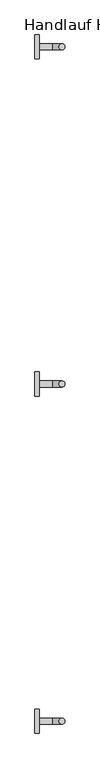
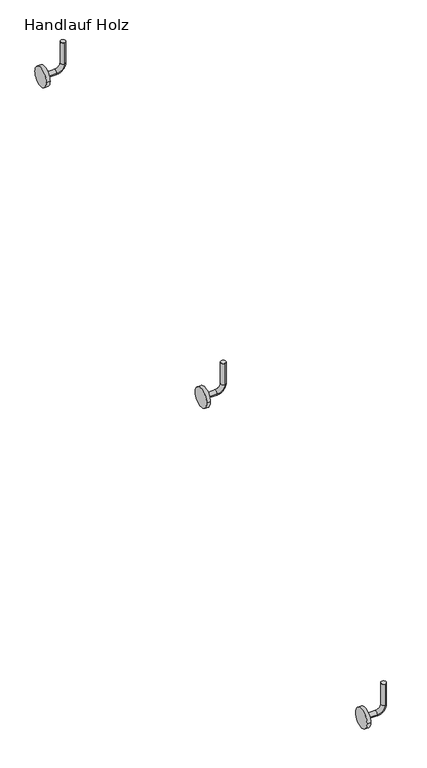
"""IFC4 building model written with IfcOpenShell, lengths in millimetres: railing geometry, Handlauf Holz."""

import ifcopenshell
import ifcopenshell.guid

model = None  # the IFC model being written
_history = None  # IfcOwnerHistory: only IFC2X3 demands one
_inside = {}  # id of a spatial element -> (the spatial element, [elements in it])
_under = {}  # id of a project, library or spatial element -> (it, [spatial elements below it])
_declared = {}  # id of a project -> (the project, [libraries it declares])
_typed = {}  # id of a type object -> (the type object, [elements of that type])
_made_of = {}  # id of a material, layer set ... -> (it, [elements and type objects made of it])


def new_model(schema):
    """Start an empty IFC model of exactly this schema.

    Asked for "IFC4X3", IfcOpenShell would pick the latest addendum, in which some entities
    have other attributes; the version numbers below select the first issue.
    IFC2X3 requires an IfcOwnerHistory on every rooted entity: one is made here for all.
    """
    global model, _history
    if schema == "IFC4X3":
        model = ifcopenshell.file(schema_version=(4, 3, 0, 0))
    else:
        model = ifcopenshell.file(schema=schema)
    _inside.clear()
    _under.clear()
    _declared.clear()
    _typed.clear()
    _made_of.clear()
    _history = None
    if model.schema == "IFC2X3":
        org = make("IfcOrganization", Name="unknown")
        user = make(
            "IfcPersonAndOrganization",
            ThePerson=make("IfcPerson", FamilyName="unknown"),
            TheOrganization=org,
        )
        app = make(
            "IfcApplication",
            ApplicationDeveloper=org,
            Version="unknown",
            ApplicationFullName="unknown",
            ApplicationIdentifier="unknown",
        )
        _history = make(
            "IfcOwnerHistory",
            OwningUser=user,
            OwningApplication=app,
            ChangeAction="ADDED",
            CreationDate=0,
        )
    return model


def make(cls, **values):
    """One entity of the class cls with the attributes given. An attribute that is None is left unset."""
    return model.create_entity(
        cls, **{name: value for name, value in values.items() if value is not None}
    )


def rooted(cls, **values):
    """An entity with a GlobalId (a new one), such as an element, a storey or a relation."""
    return make(cls, GlobalId=ifcopenshell.guid.new(), OwnerHistory=_history, **values)


def si_unit(unit_type, name, prefix=None):
    """IfcSIUnit, for example si_unit("LENGTHUNIT", "METRE", prefix="MILLI")."""
    return make("IfcSIUnit", UnitType=unit_type, Prefix=prefix, Name=name)


def assignment(units):
    """IfcUnitAssignment: the units of a project."""
    return None if units is None else make("IfcUnitAssignment", Units=units)


def point(xyz):
    """IfcCartesianPoint."""
    return None if xyz is None else make("IfcCartesianPoint", Coordinates=xyz)


def direction(xyz):
    """IfcDirection."""
    return None if xyz is None else make("IfcDirection", DirectionRatios=xyz)


def frame(location, z_axis=None, x_axis=None):
    """IfcAxis2Placement3D, a coordinate frame: its origin and axes. An axis left out is left unset."""
    return make(
        "IfcAxis2Placement3D",
        Location=point(location),
        Axis=direction(z_axis),
        RefDirection=direction(x_axis),
    )


def frame_2d(location, x_axis=None):
    """IfcAxis2Placement2D, a coordinate frame in the plane: its origin and x axis."""
    return make(
        "IfcAxis2Placement2D", Location=point(location), RefDirection=direction(x_axis)
    )


def origin():
    """The frame at (0, 0, 0) with its axes left unset."""
    return frame((0.0, 0.0, 0.0))


def place(relative_to, where):
    """IfcLocalPlacement: puts the frame where relative to a parent placement (None: the world)."""
    return make(
        "IfcLocalPlacement", PlacementRelTo=relative_to, RelativePlacement=where
    )


def context(
    kind, dimensions, precision=None, world=None, true_north=None, identifier=None
):
    """IfcGeometricRepresentationContext, for example the 3D "Model" context."""
    return make(
        "IfcGeometricRepresentationContext",
        ContextIdentifier=identifier,
        ContextType=kind,
        CoordinateSpaceDimension=dimensions,
        Precision=precision,
        WorldCoordinateSystem=world,
        TrueNorth=true_north,
    )


def project(units=None, contexts=None):
    """IfcProject with its units and contexts."""
    return rooted(
        "IfcProject",
        Name="project",
        RepresentationContexts=contexts,
        UnitsInContext=assignment(units),
    )


def spatial(cls, under=None, at=None, **own):
    """A site, building, storey or space (cls), placed at a placement, below another one or the project."""
    s = rooted(cls, ObjectPlacement=at, **own)
    if under is not None:
        _under.setdefault(under.id(), (under, []))[1].append(s)
    return s


def circle_curve(where, radius):
    """IfcCircle in the frame where."""
    return make("IfcCircle", Position=where, Radius=radius)


def ellipse_curve(where, semi_axis1, semi_axis2):
    """IfcEllipse in the frame where."""
    return make(
        "IfcEllipse", Position=where, SemiAxis1=semi_axis1, SemiAxis2=semi_axis2
    )


def trimmed(basis, trim1, trim2, sense, master):
    """IfcTrimmedCurve: the piece of a basis curve between two trims."""
    return make(
        "IfcTrimmedCurve",
        BasisCurve=basis,
        Trim1=trim1,
        Trim2=trim2,
        SenseAgreement=sense,
        MasterRepresentation=master,
    )


def segment(curve, same_sense, transition):
    """IfcCompositeCurveSegment."""
    return make(
        "IfcCompositeCurveSegment",
        Transition=transition,
        SameSense=same_sense,
        ParentCurve=curve,
    )


def composite_curve(segments, self_intersect=None):
    """IfcCompositeCurve: segments joined end to end."""
    return make("IfcCompositeCurve", Segments=segments, SelfIntersect=self_intersect)


def outline(outer, holes=None, kind="AREA"):
    """IfcArbitraryClosedProfileDef: a profile drawn as a closed curve; with holes, ...WithVoids."""
    if holes is None:
        return make("IfcArbitraryClosedProfileDef", ProfileType=kind, OuterCurve=outer)
    return make(
        "IfcArbitraryProfileDefWithVoids",
        ProfileType=kind,
        OuterCurve=outer,
        InnerCurves=holes,
    )


def extrude(swept, where, along, depth):
    """IfcExtrudedAreaSolid: the profile swept, set in the frame where, extruded along a direction by depth."""
    return make(
        "IfcExtrudedAreaSolid",
        SweptArea=swept,
        Position=where,
        ExtrudedDirection=direction(along),
        Depth=depth,
    )


def shape(context_of_items, identifier, shape_type, items):
    """IfcShapeRepresentation: the items that make up one representation, for example the "Body"."""
    return make(
        "IfcShapeRepresentation",
        ContextOfItems=context_of_items,
        RepresentationIdentifier=identifier,
        RepresentationType=shape_type,
        Items=items,
    )


def source(mapping_origin, context_of_items, identifier, shape_type, items):
    """IfcRepresentationMap: a shape defined once, which mapped items show again and again."""
    return make(
        "IfcRepresentationMap",
        MappingOrigin=mapping_origin,
        MappedRepresentation=shape(context_of_items, identifier, shape_type, items),
    )


def transform(
    local_origin,
    x_axis=None,
    y_axis=None,
    z_axis=None,
    scale=None,
    scale2=None,
    scale3=None,
    uniform=True,
):
    """IfcCartesianTransformationOperator3D, or its non-uniform kind. x_axis, y_axis, z_axis: its Axis1, 2, 3."""
    if uniform:
        return make(
            "IfcCartesianTransformationOperator3D",
            Axis1=direction(x_axis),
            Axis2=direction(y_axis),
            LocalOrigin=point(local_origin),
            Scale=scale,
            Axis3=direction(z_axis),
        )
    return make(
        "IfcCartesianTransformationOperator3DnonUniform",
        Axis1=direction(x_axis),
        Axis2=direction(y_axis),
        LocalOrigin=point(local_origin),
        Scale=scale,
        Axis3=direction(z_axis),
        Scale2=scale2,
        Scale3=scale3,
    )


def mapped(mapping_source, mapping_target):
    """IfcMappedItem: shows the shape of a source again, moved by a transform."""
    return make(
        "IfcMappedItem", MappingSource=mapping_source, MappingTarget=mapping_target
    )


def made_of(thing, what):
    """Note that an element or type object is made of a material, layer set ...; save() writes the relation."""
    if what is not None:
        _made_of.setdefault(what.id(), (what, []))[1].append(thing)
    return thing


def element(
    cls,
    number,
    at=None,
    inside=None,
    cuts=None,
    type_object=None,
    material=None,
    context=None,
    identifier="Body",
    shape_type=None,
    held_by="IfcProductDefinitionShape",
    body=None,
    shapes=None,
    **own,
):
    """One element of the class cls, such as IfcWall. Its Tag is "e" and its number.

    at: its placement. inside: the storey or other place that contains it. cuts: it is an
    opening in that element (IfcRelVoidsElement). A single representation is given by context,
    identifier, shape_type and body (its items); several are given by shapes. held_by: the class
    of the entity that holds the representations. save() writes the other relations.
    """
    e = rooted(cls, Tag="e%d" % number, ObjectPlacement=at, **own)
    if body is not None:
        shapes = [shape(context, identifier, shape_type, body)]
    if shapes is not None:
        e.Representation = make(held_by, Representations=shapes)
    if inside is not None:
        _inside.setdefault(inside.id(), (inside, []))[1].append(e)
    if cuts is not None:
        rooted(
            "IfcRelVoidsElement", RelatingBuildingElement=cuts, RelatedOpeningElement=e
        )
    if type_object is not None:
        _typed.setdefault(type_object.id(), (type_object, []))[1].append(e)
    return made_of(e, material)


def aggregate(whole, parts):
    """IfcRelAggregates: a whole, such as a stair, and the parts it consists of."""
    return rooted("IfcRelAggregates", RelatingObject=whole, RelatedObjects=parts)


def save(model, path):
    """Write the relations noted so far, then the file.

    IfcRelAggregates (storeys below a building ...), IfcRelContainedInSpatialStructure (elements
    in a storey), IfcRelDefinesByType, IfcRelAssociatesMaterial and IfcRelDeclares: one each for
    every whole, place, type object, material and project.
    """
    for whole, parts in _under.values():
        aggregate(whole, parts)
    for where, things in _inside.values():
        rooted(
            "IfcRelContainedInSpatialStructure",
            RelatedElements=things,
            RelatingStructure=where,
        )
    for kind, things in _typed.values():
        rooted("IfcRelDefinesByType", RelatedObjects=things, RelatingType=kind)
    for what, things in _made_of.values():
        rooted("IfcRelAssociatesMaterial", RelatedObjects=things, RelatingMaterial=what)
    for by, libraries in _declared.values():
        rooted("IfcRelDeclares", RelatingContext=by, RelatedDefinitions=libraries)
    model.write(path)


def plane_surface(at):
    """IfcPlane: the flat surface through the origin of the frame at, square to its z axis."""
    return make("IfcPlane", Position=at)


def cylinder_surface(at, radius):
    """IfcCylindricalSurface: all points at the distance radius from the z axis of the frame at."""
    return make("IfcCylindricalSurface", Position=at, Radius=radius)


def revolved_surface(curve, axis_point, axis_direction):
    """IfcSurfaceOfRevolution: the curve turned about the line through axis_point along axis_direction."""
    return make(
        "IfcSurfaceOfRevolution",
        SweptCurve=make("IfcArbitraryOpenProfileDef", ProfileType="CURVE", Curve=curve),
        AxisPosition=make("IfcAxis1Placement", Location=point(axis_point), Axis=direction(axis_direction)),
    )


def advanced_brep(points, edges, surfaces, faces):
    """IfcAdvancedBrep: a solid bounded by faces that lie on surfaces and meet in shared edges.

    An edge is (start, end): straight between two places in points (the first is 0);
    or (start, end, curve); or (start, end, curve, False) where it runs against its curve.
    A face is (place in surfaces, loops), or (place, loops, False) where it looks against
    its surface's normal. A loop lists edges by number (the first is 1), with a minus sign
    where the edge is run from its end to its start. The first loop is the outer one.
    """
    corners = [point(p) for p in points]
    vertices = [make("IfcVertexPoint", VertexGeometry=c) for c in corners]
    made = []
    for start, end, *more in edges:
        made.append(
            make(
                "IfcEdgeCurve",
                EdgeStart=vertices[start],
                EdgeEnd=vertices[end],
                EdgeGeometry=more[0] if more else make("IfcPolyline", Points=[corners[start], corners[end]]),
                SameSense=more[1] if len(more) > 1 else True,
            )
        )
    hull = []
    for where, loops, *sense in faces:
        bounds = []
        for j, loop in enumerate(loops):
            ring = [make("IfcOrientedEdge", EdgeElement=made[abs(k) - 1], Orientation=k > 0) for k in loop]
            bounds.append(
                make(
                    "IfcFaceOuterBound" if j == 0 else "IfcFaceBound",
                    Bound=make("IfcEdgeLoop", EdgeList=ring),
                    Orientation=True,
                )
            )
        hull.append(make("IfcAdvancedFace", Bounds=bounds, FaceSurface=surfaces[where], SameSense=sense[0] if sense else True))
    return make("IfcAdvancedBrep", Outer=make("IfcClosedShell", CfsFaces=hull))


def handlauf_holz_84f4aeb3(model_context):
    return source(origin(), model_context, "Body", "SolidModel", [
        advanced_brep(
        [(11037.0, 5760.3, 2209.7), (11037.0, 5773.0, 2209.7), (11037.0, 5773.0, 2152.55), (11037.0, 5760.3, 2152.55), (11017.95, 5773.0, 2133.5), (11017.95, 5760.3, 2133.5), (10989.375, 5760.3, 2133.5), (10989.375, 5773.0, 2133.5)],
        [
            (0, 1, circle_curve(frame((11037.0, 5766.65, 2209.7), z_axis=(0.0, 0.0, 1.0), x_axis=(0.0, 1.0, 0.0)), 6.35)),
            (1, 0, circle_curve(frame((11037.0, 5766.65, 2209.7), z_axis=(0.0, 0.0, 1.0), x_axis=(0.0, 1.0, 0.0)), 6.35)),
            (1, 2),
            (2, 3, circle_curve(frame((11037.0, 5766.65, 2152.55), z_axis=(0.0, 0.0, 1.0), x_axis=(0.0, 1.0, 0.0)), 6.35)),
            (3, 0),
            (3, 2, circle_curve(frame((11037.0, 5766.65, 2152.55), z_axis=(0.0, 0.0, 1.0), x_axis=(0.0, 1.0, 0.0)), 6.35)),
            (4, 5, circle_curve(frame((11017.95, 5766.65, 2133.5), z_axis=(1.0, 0.0, 0.0), x_axis=(0.0, 1.0, 0.0)), 6.35)),
            (5, 3, circle_curve(frame((11017.95, 5760.3, 2152.55), z_axis=(0.0, -1.0, 0.0), x_axis=(1.0, 0.0, 0.0)), 19.05)),
            (2, 4, circle_curve(frame((11017.95, 5773.0, 2152.55), z_axis=(0.0, 1.0, 0.0), x_axis=(1.0, 0.0, 0.0)), 19.05)),
            (5, 4, circle_curve(frame((11017.95, 5766.65, 2133.5), z_axis=(1.0, 0.0, 0.0), x_axis=(0.0, 1.0, 0.0)), 6.35)),
            (6, 7, circle_curve(frame((10989.375, 5766.65, 2133.5), z_axis=(-1.0, 0.0, 0.0), x_axis=(0.0, 1.0, 0.0)), 6.35)),
            (7, 6, circle_curve(frame((10989.375, 5766.65, 2133.5), z_axis=(-1.0, 0.0, 0.0), x_axis=(0.0, 1.0, 0.0)), 6.35)),
            (4, 7),
            (6, 5),
        ],
        [
            plane_surface(frame((11037.0, 5773.0, 2209.7), z_axis=(0.0, 0.0, 1.0), x_axis=(-1.0, 0.0, 0.0))),
            cylinder_surface(frame((11037.0, 5766.65, 2209.7), z_axis=(0.0, 0.0, 1.0), x_axis=(0.0, 1.0, 0.0)), 6.35),
            revolved_surface(trimmed(ellipse_curve(frame((11037.0, 5766.65, 2152.55), z_axis=(0.0, 0.0, -1.0), x_axis=(0.0, 1.0, 0.0)), 6.35, 6.35), [point((11037.0, 5760.3, 2152.55))], [point((11037.0, 5773.0, 2152.55))], True, "CARTESIAN"), (11017.95, 5766.65, 2152.55), (0.0, -1.0, 0.0)),
            revolved_surface(trimmed(ellipse_curve(frame((11037.0, 5766.65, 2152.55), z_axis=(0.0, 0.0, -1.0), x_axis=(0.0, 1.0, 0.0)), 6.35, 6.35), [point((11037.0, 5773.0, 2152.55))], [point((11037.0, 5760.3, 2152.55))], True, "CARTESIAN"), (11017.95, 5766.65, 2152.55), (0.0, -1.0, 0.0)),
            plane_surface(frame((10989.375, 5766.65, 2127.15), z_axis=(-1.0, 0.0, 0.0), x_axis=(0.0, 1.0, 0.0))),
            cylinder_surface(frame((11017.95, 5766.65, 2133.5), z_axis=(1.0, 0.0, 0.0), x_axis=(0.0, 1.0, 0.0)), 6.35),
        ],
        [
            (0, [[1, 2]]),
            (1, [[3, 4, 5, -2]]),
            (1, [[-5, 6, -3, -1]]),
            (2, [[7, 8, -4, 9]]),
            (3, [[10, -9, -6, -8]]),
            (4, [[11, 12]]),
            (5, [[13, -11, 14, -7]]),
            (5, [[-14, -12, -13, -10]]),
        ],
    ),
        extrude(outline(composite_curve([segment(trimmed(circle_curve(frame_2d((5766.65, 2133.5)), 25.4), [point((5792.05, 2133.5))], [point((5741.25, 2133.5))], False, "CARTESIAN"), True, "CONTINUOUS"), segment(trimmed(circle_curve(frame_2d((5766.65, 2133.5)), 25.4), [point((5741.25, 2133.5))], [point((5792.05, 2133.5))], False, "CARTESIAN"), True, "CONTINUOUS")], self_intersect=False)), frame((10979.85, 0.0, 0.0), z_axis=(1.0, 0.0, 0.0), x_axis=(0.0, 1.0, 0.0)), (0.0, 0.0, 1.0), 9.525),
        advanced_brep(
        [(11037.0, 5047.8, 1772.2), (11037.0, 5060.5, 1772.2), (11037.0, 5060.5, 1715.05), (11037.0, 5047.8, 1715.05), (11017.95, 5060.5, 1696.0), (11017.95, 5047.8, 1696.0), (10989.375, 5047.8, 1696.0), (10989.375, 5060.5, 1696.0)],
        [
            (0, 1, circle_curve(frame((11037.0, 5054.15, 1772.2), z_axis=(0.0, 0.0, 1.0), x_axis=(0.0, 1.0, 0.0)), 6.35)),
            (1, 0, circle_curve(frame((11037.0, 5054.15, 1772.2), z_axis=(0.0, 0.0, 1.0), x_axis=(0.0, 1.0, 0.0)), 6.35)),
            (1, 2),
            (2, 3, circle_curve(frame((11037.0, 5054.15, 1715.05), z_axis=(0.0, 0.0, 1.0), x_axis=(0.0, 1.0, 0.0)), 6.35)),
            (3, 0),
            (3, 2, circle_curve(frame((11037.0, 5054.15, 1715.05), z_axis=(0.0, 0.0, 1.0), x_axis=(0.0, 1.0, 0.0)), 6.35)),
            (4, 5, circle_curve(frame((11017.95, 5054.15, 1696.0), z_axis=(1.0, 0.0, 0.0), x_axis=(0.0, 1.0, 0.0)), 6.35)),
            (5, 3, circle_curve(frame((11017.95, 5047.8, 1715.05), z_axis=(0.0, -1.0, 0.0), x_axis=(1.0, 0.0, 0.0)), 19.05)),
            (2, 4, circle_curve(frame((11017.95, 5060.5, 1715.05), z_axis=(0.0, 1.0, 0.0), x_axis=(1.0, 0.0, 0.0)), 19.05)),
            (5, 4, circle_curve(frame((11017.95, 5054.15, 1696.0), z_axis=(1.0, 0.0, 0.0), x_axis=(0.0, 1.0, 0.0)), 6.35)),
            (6, 7, circle_curve(frame((10989.375, 5054.15, 1696.0), z_axis=(-1.0, 0.0, 0.0), x_axis=(0.0, 1.0, 0.0)), 6.35)),
            (7, 6, circle_curve(frame((10989.375, 5054.15, 1696.0), z_axis=(-1.0, 0.0, 0.0), x_axis=(0.0, 1.0, 0.0)), 6.35)),
            (4, 7),
            (6, 5),
        ],
        [
            plane_surface(frame((11037.0, 5060.5, 1772.2), z_axis=(0.0, 0.0, 1.0), x_axis=(-1.0, 0.0, 0.0))),
            cylinder_surface(frame((11037.0, 5054.15, 1772.2), z_axis=(0.0, 0.0, 1.0), x_axis=(0.0, 1.0, 0.0)), 6.35),
            revolved_surface(trimmed(ellipse_curve(frame((11037.0, 5054.15, 1715.05), z_axis=(0.0, 0.0, -1.0), x_axis=(0.0, 1.0, 0.0)), 6.35, 6.35), [point((11037.0, 5047.8, 1715.05))], [point((11037.0, 5060.5, 1715.05))], True, "CARTESIAN"), (11017.95, 5054.15, 1715.05), (0.0, -1.0, 0.0)),
            revolved_surface(trimmed(ellipse_curve(frame((11037.0, 5054.15, 1715.05), z_axis=(0.0, 0.0, -1.0), x_axis=(0.0, 1.0, 0.0)), 6.35, 6.35), [point((11037.0, 5060.5, 1715.05))], [point((11037.0, 5047.8, 1715.05))], True, "CARTESIAN"), (11017.95, 5054.15, 1715.05), (0.0, -1.0, 0.0)),
            plane_surface(frame((10989.375, 5054.15, 1689.65), z_axis=(-1.0, 0.0, 0.0), x_axis=(0.0, 1.0, 0.0))),
            cylinder_surface(frame((11017.95, 5054.15, 1696.0), z_axis=(1.0, 0.0, 0.0), x_axis=(0.0, 1.0, 0.0)), 6.35),
        ],
        [
            (0, [[1, 2]]),
            (1, [[3, 4, 5, -2]]),
            (1, [[-5, 6, -3, -1]]),
            (2, [[7, 8, -4, 9]]),
            (3, [[10, -9, -6, -8]]),
            (4, [[11, 12]]),
            (5, [[13, -11, 14, -7]]),
            (5, [[-14, -12, -13, -10]]),
        ],
    ),
        extrude(outline(composite_curve([segment(trimmed(circle_curve(frame_2d((5054.15, 1696.0)), 25.4), [point((5079.55, 1696.0))], [point((5028.75, 1696.0))], False, "CARTESIAN"), True, "CONTINUOUS"), segment(trimmed(circle_curve(frame_2d((5054.15, 1696.0)), 25.4), [point((5028.75, 1696.0))], [point((5079.55, 1696.0))], False, "CARTESIAN"), True, "CONTINUOUS")], self_intersect=False)), frame((10979.85, 0.0, 0.0), z_axis=(1.0, 0.0, 0.0), x_axis=(0.0, 1.0, 0.0)), (0.0, 0.0, 1.0), 9.525),
        advanced_brep(
        [(11037.0, 4335.3, 1334.7), (11037.0, 4348.0, 1334.7), (11037.0, 4348.0, 1277.55), (11037.0, 4335.3, 1277.55), (11017.95, 4348.0, 1258.5), (11017.95, 4335.3, 1258.5), (10989.375, 4335.3, 1258.5), (10989.375, 4348.0, 1258.5)],
        [
            (0, 1, circle_curve(frame((11037.0, 4341.65, 1334.7), z_axis=(0.0, 0.0, 1.0), x_axis=(0.0, 1.0, 0.0)), 6.35)),
            (1, 0, circle_curve(frame((11037.0, 4341.65, 1334.7), z_axis=(0.0, 0.0, 1.0), x_axis=(0.0, 1.0, 0.0)), 6.35)),
            (1, 2),
            (2, 3, circle_curve(frame((11037.0, 4341.65, 1277.55), z_axis=(0.0, 0.0, 1.0), x_axis=(0.0, 1.0, 0.0)), 6.35)),
            (3, 0),
            (3, 2, circle_curve(frame((11037.0, 4341.65, 1277.55), z_axis=(0.0, 0.0, 1.0), x_axis=(0.0, 1.0, 0.0)), 6.35)),
            (4, 5, circle_curve(frame((11017.95, 4341.65, 1258.5), z_axis=(1.0, 0.0, 0.0), x_axis=(0.0, 1.0, 0.0)), 6.35)),
            (5, 3, circle_curve(frame((11017.95, 4335.3, 1277.55), z_axis=(0.0, -1.0, 0.0), x_axis=(1.0, 0.0, 0.0)), 19.05)),
            (2, 4, circle_curve(frame((11017.95, 4348.0, 1277.55), z_axis=(0.0, 1.0, 0.0), x_axis=(1.0, 0.0, 0.0)), 19.05)),
            (5, 4, circle_curve(frame((11017.95, 4341.65, 1258.5), z_axis=(1.0, 0.0, 0.0), x_axis=(0.0, 1.0, 0.0)), 6.35)),
            (6, 7, circle_curve(frame((10989.375, 4341.65, 1258.5), z_axis=(-1.0, 0.0, 0.0), x_axis=(0.0, 1.0, 0.0)), 6.35)),
            (7, 6, circle_curve(frame((10989.375, 4341.65, 1258.5), z_axis=(-1.0, 0.0, 0.0), x_axis=(0.0, 1.0, 0.0)), 6.35)),
            (4, 7),
            (6, 5),
        ],
        [
            plane_surface(frame((11037.0, 4348.0, 1334.7), z_axis=(0.0, 0.0, 1.0), x_axis=(-1.0, 0.0, 0.0))),
            cylinder_surface(frame((11037.0, 4341.65, 1334.7), z_axis=(0.0, 0.0, 1.0), x_axis=(0.0, 1.0, 0.0)), 6.35),
            revolved_surface(trimmed(ellipse_curve(frame((11037.0, 4341.65, 1277.55), z_axis=(0.0, 0.0, -1.0), x_axis=(0.0, 1.0, 0.0)), 6.35, 6.35), [point((11037.0, 4335.3, 1277.55))], [point((11037.0, 4348.0, 1277.55))], True, "CARTESIAN"), (11017.95, 4341.65, 1277.55), (0.0, -1.0, 0.0)),
            revolved_surface(trimmed(ellipse_curve(frame((11037.0, 4341.65, 1277.55), z_axis=(0.0, 0.0, -1.0), x_axis=(0.0, 1.0, 0.0)), 6.35, 6.35), [point((11037.0, 4348.0, 1277.55))], [point((11037.0, 4335.3, 1277.55))], True, "CARTESIAN"), (11017.95, 4341.65, 1277.55), (0.0, -1.0, 0.0)),
            plane_surface(frame((10989.375, 4341.65, 1252.15), z_axis=(-1.0, 0.0, 0.0), x_axis=(0.0, 1.0, 0.0))),
            cylinder_surface(frame((11017.95, 4341.65, 1258.5), z_axis=(1.0, 0.0, 0.0), x_axis=(0.0, 1.0, 0.0)), 6.35),
        ],
        [
            (0, [[1, 2]]),
            (1, [[3, 4, 5, -2]]),
            (1, [[-5, 6, -3, -1]]),
            (2, [[7, 8, -4, 9]]),
            (3, [[10, -9, -6, -8]]),
            (4, [[11, 12]]),
            (5, [[13, -11, 14, -7]]),
            (5, [[-14, -12, -13, -10]]),
        ],
    ),
        extrude(outline(composite_curve([segment(trimmed(circle_curve(frame_2d((4341.65, 1258.5)), 25.4), [point((4367.05, 1258.5))], [point((4316.25, 1258.5))], False, "CARTESIAN"), True, "CONTINUOUS"), segment(trimmed(circle_curve(frame_2d((4341.65, 1258.5)), 25.4), [point((4316.25, 1258.5))], [point((4367.05, 1258.5))], False, "CARTESIAN"), True, "CONTINUOUS")], self_intersect=False)), frame((10979.85, 0.0, 0.0), z_axis=(1.0, 0.0, 0.0), x_axis=(0.0, 1.0, 0.0)), (0.0, 0.0, 1.0), 9.525),
    ])


if __name__ == "__main__":
    model = new_model("IFC4")
    model_context = context("Model", 3, world=origin())
    ifc_project = project(units=[si_unit("LENGTHUNIT", "METRE", prefix="MILLI")], contexts=[model_context])
    site = spatial("IfcSite", under=ifc_project)
    building = spatial("IfcBuilding", under=site)
    placement = place(None, origin())
    handlauf_holz_shape = handlauf_holz_84f4aeb3(model_context)
    element("IfcRailing", 1, ObjectType="Handlauf Holz", at=placement, inside=building, context=model_context, shape_type="MappedRepresentation", body=[
        mapped(handlauf_holz_shape, transform((0.0, 0.0, 0.0), x_axis=(1.0, 0.0, 0.0), y_axis=(0.0, 1.0, 0.0), z_axis=(0.0, 0.0, 1.0))),
    ])
    save(model, "model.ifc")
